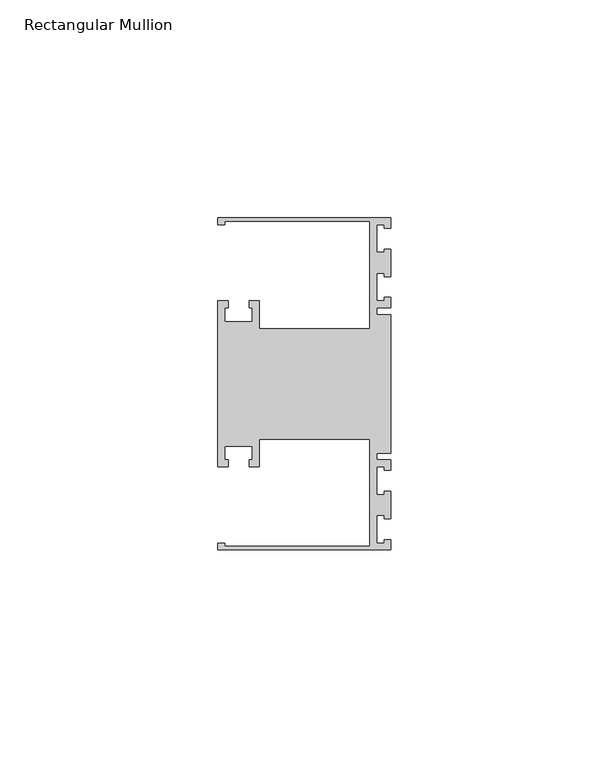
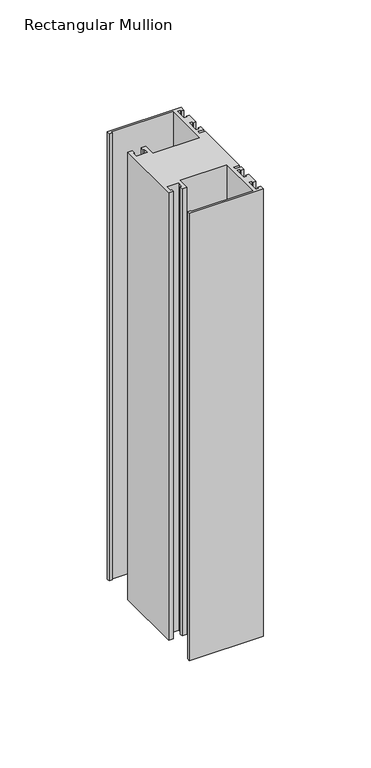
"""IFC4 building model written with IfcOpenShell, lengths in millimetres: member geometry, Rectangular Mullion."""

import ifcopenshell
import ifcopenshell.guid

model = None  # the IFC model being written
_history = None  # IfcOwnerHistory: only IFC2X3 demands one
_inside = {}  # id of a spatial element -> (the spatial element, [elements in it])
_under = {}  # id of a project, library or spatial element -> (it, [spatial elements below it])
_declared = {}  # id of a project -> (the project, [libraries it declares])
_typed = {}  # id of a type object -> (the type object, [elements of that type])
_made_of = {}  # id of a material, layer set ... -> (it, [elements and type objects made of it])


def new_model(schema):
    """Start an empty IFC model of exactly this schema.

    Asked for "IFC4X3", IfcOpenShell would pick the latest addendum, in which some entities
    have other attributes; the version numbers below select the first issue.
    IFC2X3 requires an IfcOwnerHistory on every rooted entity: one is made here for all.
    """
    global model, _history
    if schema == "IFC4X3":
        model = ifcopenshell.file(schema_version=(4, 3, 0, 0))
    else:
        model = ifcopenshell.file(schema=schema)
    _inside.clear()
    _under.clear()
    _declared.clear()
    _typed.clear()
    _made_of.clear()
    _history = None
    if model.schema == "IFC2X3":
        org = make("IfcOrganization", Name="unknown")
        user = make(
            "IfcPersonAndOrganization",
            ThePerson=make("IfcPerson", FamilyName="unknown"),
            TheOrganization=org,
        )
        app = make(
            "IfcApplication",
            ApplicationDeveloper=org,
            Version="unknown",
            ApplicationFullName="unknown",
            ApplicationIdentifier="unknown",
        )
        _history = make(
            "IfcOwnerHistory",
            OwningUser=user,
            OwningApplication=app,
            ChangeAction="ADDED",
            CreationDate=0,
        )
    return model


def make(cls, **values):
    """One entity of the class cls with the attributes given. An attribute that is None is left unset."""
    return model.create_entity(
        cls, **{name: value for name, value in values.items() if value is not None}
    )


def rooted(cls, **values):
    """An entity with a GlobalId (a new one), such as an element, a storey or a relation."""
    return make(cls, GlobalId=ifcopenshell.guid.new(), OwnerHistory=_history, **values)


def si_unit(unit_type, name, prefix=None):
    """IfcSIUnit, for example si_unit("LENGTHUNIT", "METRE", prefix="MILLI")."""
    return make("IfcSIUnit", UnitType=unit_type, Prefix=prefix, Name=name)


def assignment(units):
    """IfcUnitAssignment: the units of a project."""
    return None if units is None else make("IfcUnitAssignment", Units=units)


def point(xyz):
    """IfcCartesianPoint."""
    return None if xyz is None else make("IfcCartesianPoint", Coordinates=xyz)


def direction(xyz):
    """IfcDirection."""
    return None if xyz is None else make("IfcDirection", DirectionRatios=xyz)


def frame(location, z_axis=None, x_axis=None):
    """IfcAxis2Placement3D, a coordinate frame: its origin and axes. An axis left out is left unset."""
    return make(
        "IfcAxis2Placement3D",
        Location=point(location),
        Axis=direction(z_axis),
        RefDirection=direction(x_axis),
    )


def origin():
    """The frame at (0, 0, 0) with its axes left unset."""
    return frame((0.0, 0.0, 0.0))


def place(relative_to, where):
    """IfcLocalPlacement: puts the frame where relative to a parent placement (None: the world)."""
    return make(
        "IfcLocalPlacement", PlacementRelTo=relative_to, RelativePlacement=where
    )


def context(
    kind, dimensions, precision=None, world=None, true_north=None, identifier=None
):
    """IfcGeometricRepresentationContext, for example the 3D "Model" context."""
    return make(
        "IfcGeometricRepresentationContext",
        ContextIdentifier=identifier,
        ContextType=kind,
        CoordinateSpaceDimension=dimensions,
        Precision=precision,
        WorldCoordinateSystem=world,
        TrueNorth=true_north,
    )


def project(units=None, contexts=None):
    """IfcProject with its units and contexts."""
    return rooted(
        "IfcProject",
        Name="project",
        RepresentationContexts=contexts,
        UnitsInContext=assignment(units),
    )


def spatial(cls, under=None, at=None, **own):
    """A site, building, storey or space (cls), placed at a placement, below another one or the project."""
    s = rooted(cls, ObjectPlacement=at, **own)
    if under is not None:
        _under.setdefault(under.id(), (under, []))[1].append(s)
    return s


def polyline(points):
    """IfcPolyline through the points."""
    return make("IfcPolyline", Points=[point(p) for p in points])


def outline(outer, holes=None, kind="AREA"):
    """IfcArbitraryClosedProfileDef: a profile drawn as a closed curve; with holes, ...WithVoids."""
    if holes is None:
        return make("IfcArbitraryClosedProfileDef", ProfileType=kind, OuterCurve=outer)
    return make(
        "IfcArbitraryProfileDefWithVoids",
        ProfileType=kind,
        OuterCurve=outer,
        InnerCurves=holes,
    )


def extrude(swept, where, along, depth):
    """IfcExtrudedAreaSolid: the profile swept, set in the frame where, extruded along a direction by depth."""
    return make(
        "IfcExtrudedAreaSolid",
        SweptArea=swept,
        Position=where,
        ExtrudedDirection=direction(along),
        Depth=depth,
    )


def shape(context_of_items, identifier, shape_type, items):
    """IfcShapeRepresentation: the items that make up one representation, for example the "Body"."""
    return make(
        "IfcShapeRepresentation",
        ContextOfItems=context_of_items,
        RepresentationIdentifier=identifier,
        RepresentationType=shape_type,
        Items=items,
    )


def source(mapping_origin, context_of_items, identifier, shape_type, items):
    """IfcRepresentationMap: a shape defined once, which mapped items show again and again."""
    return make(
        "IfcRepresentationMap",
        MappingOrigin=mapping_origin,
        MappedRepresentation=shape(context_of_items, identifier, shape_type, items),
    )


def transform(
    local_origin,
    x_axis=None,
    y_axis=None,
    z_axis=None,
    scale=None,
    scale2=None,
    scale3=None,
    uniform=True,
):
    """IfcCartesianTransformationOperator3D, or its non-uniform kind. x_axis, y_axis, z_axis: its Axis1, 2, 3."""
    if uniform:
        return make(
            "IfcCartesianTransformationOperator3D",
            Axis1=direction(x_axis),
            Axis2=direction(y_axis),
            LocalOrigin=point(local_origin),
            Scale=scale,
            Axis3=direction(z_axis),
        )
    return make(
        "IfcCartesianTransformationOperator3DnonUniform",
        Axis1=direction(x_axis),
        Axis2=direction(y_axis),
        LocalOrigin=point(local_origin),
        Scale=scale,
        Axis3=direction(z_axis),
        Scale2=scale2,
        Scale3=scale3,
    )


def mapped(mapping_source, mapping_target):
    """IfcMappedItem: shows the shape of a source again, moved by a transform."""
    return make(
        "IfcMappedItem", MappingSource=mapping_source, MappingTarget=mapping_target
    )


def made_of(thing, what):
    """Note that an element or type object is made of a material, layer set ...; save() writes the relation."""
    if what is not None:
        _made_of.setdefault(what.id(), (what, []))[1].append(thing)
    return thing


def element(
    cls,
    number,
    at=None,
    inside=None,
    cuts=None,
    type_object=None,
    material=None,
    context=None,
    identifier="Body",
    shape_type=None,
    held_by="IfcProductDefinitionShape",
    body=None,
    shapes=None,
    **own,
):
    """One element of the class cls, such as IfcWall. Its Tag is "e" and its number.

    at: its placement. inside: the storey or other place that contains it. cuts: it is an
    opening in that element (IfcRelVoidsElement). A single representation is given by context,
    identifier, shape_type and body (its items); several are given by shapes. held_by: the class
    of the entity that holds the representations. save() writes the other relations.
    """
    e = rooted(cls, Tag="e%d" % number, ObjectPlacement=at, **own)
    if body is not None:
        shapes = [shape(context, identifier, shape_type, body)]
    if shapes is not None:
        e.Representation = make(held_by, Representations=shapes)
    if inside is not None:
        _inside.setdefault(inside.id(), (inside, []))[1].append(e)
    if cuts is not None:
        rooted(
            "IfcRelVoidsElement", RelatingBuildingElement=cuts, RelatedOpeningElement=e
        )
    if type_object is not None:
        _typed.setdefault(type_object.id(), (type_object, []))[1].append(e)
    return made_of(e, material)


def aggregate(whole, parts):
    """IfcRelAggregates: a whole, such as a stair, and the parts it consists of."""
    return rooted("IfcRelAggregates", RelatingObject=whole, RelatedObjects=parts)


def save(model, path):
    """Write the relations noted so far, then the file.

    IfcRelAggregates (storeys below a building ...), IfcRelContainedInSpatialStructure (elements
    in a storey), IfcRelDefinesByType, IfcRelAssociatesMaterial and IfcRelDeclares: one each for
    every whole, place, type object, material and project.
    """
    for whole, parts in _under.values():
        aggregate(whole, parts)
    for where, things in _inside.values():
        rooted(
            "IfcRelContainedInSpatialStructure",
            RelatedElements=things,
            RelatingStructure=where,
        )
    for kind, things in _typed.values():
        rooted("IfcRelDefinesByType", RelatedObjects=things, RelatingType=kind)
    for what, things in _made_of.values():
        rooted("IfcRelAssociatesMaterial", RelatedObjects=things, RelatingMaterial=what)
    for by, libraries in _declared.values():
        rooted("IfcRelDeclares", RelatingContext=by, RelatedDefinitions=libraries)
    model.write(path)


def rectangular_mullion_34eb3f6d(model_context):
    return source(origin(), model_context, "Body", "SweptSolid", [
        extrude(outline(polyline([(0.0, 38.1), (0.0, 35.71875), (-1.4999946, 35.71875), (-1.4999946, 36.5125), (-3.175, 36.5125), (-3.175, 30.1625), (-1.4999946, 30.1625), (-1.4999946, 30.95625), (0.0, 30.95625), (0.0, 24.60625), (-1.4999946, 24.60625), (-1.4999946, 25.4), (-3.175, 25.4), (-3.175, 19.05), (-1.4999946, 19.05), (-1.4999946, 19.84375), (0.0, 19.84375), (0.0, 17.4625), (-3.175, 17.4625), (-3.175, 15.875), (0.0, 15.875), (0.0, -15.875), (-3.175, -15.875), (-3.175, -17.4625), (0.0, -17.4625), (0.0, -19.84375), (-1.4999946, -19.84375), (-1.4999946, -19.05), (-3.175, -19.05), (-3.175, -25.4), (-1.4999946, -25.4), (-1.4999946, -24.60625), (0.0, -24.60625), (0.0, -30.95625), (-1.4999946, -30.95625), (-1.4999946, -30.1625), (-3.175, -30.1625), (-3.175, -36.5125), (-1.4999946, -36.5125), (-1.4999946, -35.71875), (0.0, -35.71875), (0.0, -38.1), (-39.6875, -38.1), (-39.6875, -36.5125), (-38.1, -36.5125), (-38.1, -37.30625), (-4.8585733, -37.30625), (-4.8585733, -12.6999969), (-30.1625, -12.6999969), (-30.1625, -19.05), (-32.54375, -19.05), (-32.54375, -17.4625), (-31.75, -17.4625), (-31.75, -14.2875), (-38.1, -14.2875), (-38.1, -17.4625), (-37.30625, -17.4625), (-37.30625, -19.05), (-39.6875, -19.05), (-39.6875, 19.05), (-37.30625, 19.05), (-37.30625, 17.4625), (-38.1, 17.4625), (-38.1, 14.2875), (-31.75, 14.2875), (-31.75, 17.4625), (-32.54375, 17.4625), (-32.54375, 19.05), (-30.1625, 19.05), (-30.1625, 12.6999969), (-4.8585733, 12.6999969), (-4.8585733, 37.30625), (-38.1, 37.30625), (-38.1, 36.5125), (-39.6875, 36.5125), (-39.6875, 38.1), (0.0, 38.1)])), frame((0.0, 0.0, -254.0), z_axis=(0.0, 0.0, 1.0), x_axis=(1.0, 0.0, 0.0)), (0.0, 0.0, 1.0), 254.0),
    ])


if __name__ == "__main__":
    model = new_model("IFC4")
    model_context = context("Model", 3, world=origin())
    ifc_project = project(units=[si_unit("LENGTHUNIT", "METRE", prefix="MILLI")], contexts=[model_context])
    site = spatial("IfcSite", under=ifc_project)
    building = spatial("IfcBuilding", under=site)
    placement = place(None, origin())
    rectangular_mullion_shape = rectangular_mullion_34eb3f6d(model_context)
    element("IfcMember", 1, ObjectType="Rectangular Mullion", at=placement, inside=building, context=model_context, shape_type="MappedRepresentation", body=[
        mapped(rectangular_mullion_shape, transform((0.0, 0.0, 0.0), x_axis=(1.0, 0.0, 0.0), y_axis=(0.0, 1.0, 0.0), z_axis=(0.0, 0.0, 1.0))),
    ])
    save(model, "model.ifc")
